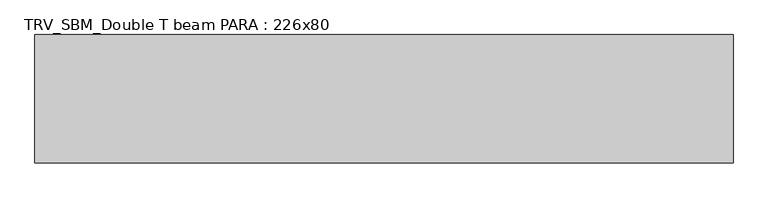
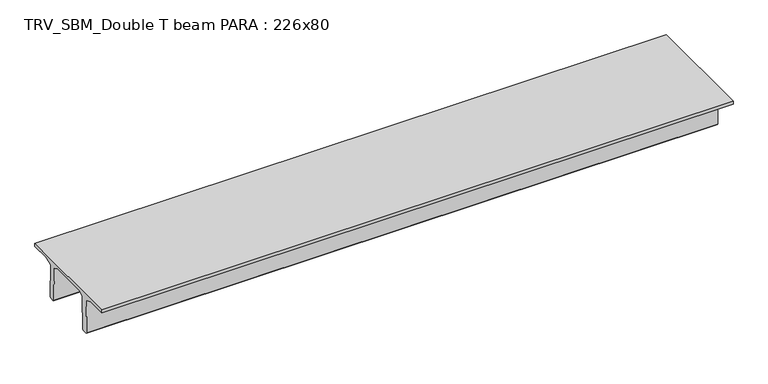
"""IFC4 building model written with IfcOpenShell, lengths in millimetres: beam geometry, TRV_SBM_Double T beam PARA : 226x80."""

from ifc_helpers import new_model, si_unit, frame, origin, place, context, project, spatial, polyline, outline, extrude, source, transform, mapped, element, save


def trv_sbm_double_t_beam_para_226x80_ac3db2cf(model_context):
    return source(origin(), model_context, "Body", "SweptSolid", [
        extrude(outline(polyline([(352.1399239, 205.988519), (-382.1399239, 205.988519), (-485.0, 144.18395), (-501.9262559, -520.5206011), (-521.4056548, -540.0), (-611.4056548, -540.0), (-631.9887932, -520.5206011), (-615.2025683, 140.6523122), (-776.9153545, 205.988519), (-1145.0, 205.988519), (-1145.0, 260.0), (1115.0, 260.0), (1115.0, 205.988519), (746.9153545, 205.988519), (585.2025683, 140.6523122), (601.9887932, -520.5206011), (581.4056548, -540.0), (491.4056548, -540.0), (471.9262559, -520.5206011), (455.0, 144.18395), (352.1399239, 205.988519)])), frame((-6340.8806909, 0.0, 0.0), z_axis=(1.0, 0.0, 0.0), x_axis=(0.0, 1.0, 0.0)), (0.0, 0.0, 1.0), 12301.7869594),
    ])


if __name__ == "__main__":
    model = new_model("IFC4")
    model_context = context("Model", 3, world=origin())
    ifc_project = project(units=[si_unit("LENGTHUNIT", "METRE", prefix="MILLI")], contexts=[model_context])
    site = spatial("IfcSite", under=ifc_project)
    building = spatial("IfcBuilding", under=site)
    placement = place(None, origin())
    trv_sbm_double_t_beam_para_226x80_shape = trv_sbm_double_t_beam_para_226x80_ac3db2cf(model_context)
    element("IfcBeam", 1, ObjectType="TRV_SBM_Double T beam PARA : 226x80", at=placement, inside=building, context=model_context, shape_type="MappedRepresentation", body=[
        mapped(trv_sbm_double_t_beam_para_226x80_shape, transform((0.0, 0.0, 0.0), x_axis=(1.0, 0.0, 0.0), y_axis=(0.0, 1.0, 0.0), z_axis=(0.0, 0.0, 1.0))),
    ])
    save(model, "model.ifc")
